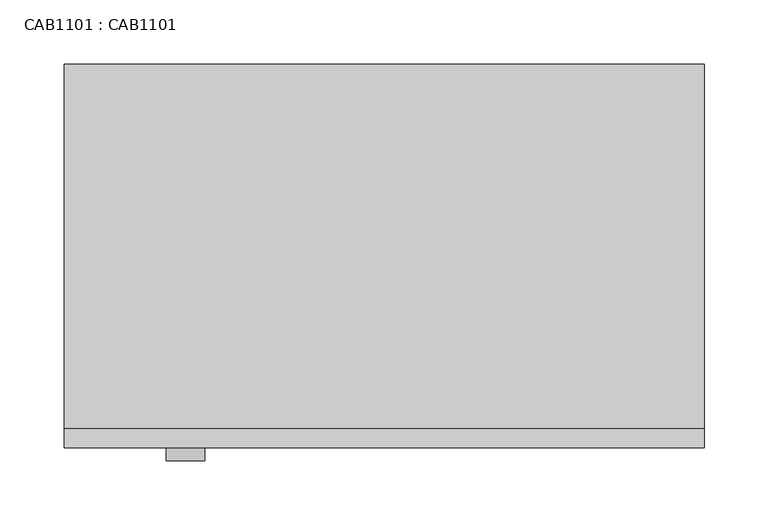
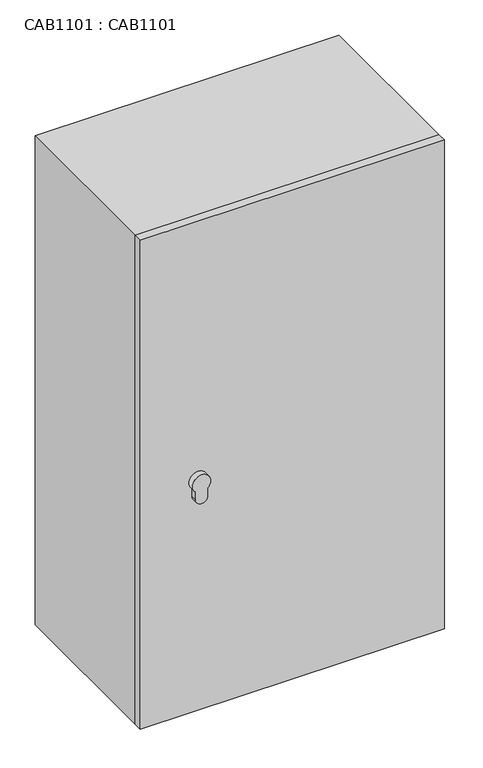
"""IFC4 building model written with IfcOpenShell, lengths in millimetres: proxy geometry, CAB1101 : CAB1101."""

from ifc_helpers import new_model, si_unit, point, frame, frame_2d, origin, origin_with_axes, place, context, project, spatial, polyline, circle_curve, trimmed, segment, composite_curve, outline, extrude, source, transform, mapped, element, save


def cab1101_cab1101_7624938d(model_context):
    return source(origin(), model_context, "Body", "SweptSolid", [
        extrude(outline(composite_curve([segment(polyline([(389.1720857, 85.0), (375.3524256, 85.0)]), True, "CONTINUOUS"), segment(trimmed(circle_curve(frame_2d((375.3524256, 95.0)), 10.0), [point((375.3524256, 85.0))], [point((375.3524256, 105.0))], False, "CARTESIAN"), True, "CONTINUOUS"), segment(polyline([(375.3524256, 105.0), (389.1720857, 105.0)]), True, "CONTINUOUS"), segment(trimmed(circle_curve(frame_2d((400.3524256, 95.0)), 15.0), [point((389.1720857, 105.0))], [point((389.1720857, 85.0))], False, "CARTESIAN"), True, "CONTINUOUS")], self_intersect=False)), frame((0.0, -310.0, 0.0), z_axis=(0.0, 1.0, 0.0), x_axis=(0.0, 0.0, 1.0)), (0.0, 0.0, 1.0), 10.0),
        extrude(outline(polyline([(500.0, -284.9999913), (500.0, -300.0000023), (0.0, -300.0000023), (0.0, -284.9999913), (500.0, -284.9999913)])), origin_with_axes(), (0.0, 0.0, 1.0), 850.0),
        extrude(outline(polyline([(500.0, 0.0), (500.0, -284.9999913), (0.0, -284.9999913), (0.0, 0.0), (500.0, 0.0)])), origin_with_axes(), (0.0, 0.0, 1.0), 850.0),
    ])


if __name__ == "__main__":
    model = new_model("IFC4")
    model_context = context("Model", 3, world=origin())
    ifc_project = project(units=[si_unit("LENGTHUNIT", "METRE", prefix="MILLI")], contexts=[model_context])
    site = spatial("IfcSite", under=ifc_project)
    building = spatial("IfcBuilding", under=site)
    placement = place(None, origin())
    cab1101_cab1101_shape = cab1101_cab1101_7624938d(model_context)
    element("IfcBuildingElementProxy", 1, Name="CAB1101 : CAB1101", ObjectType="CAB1101 : CAB1101", at=placement, inside=building, context=model_context, shape_type="MappedRepresentation", body=[
        mapped(cab1101_cab1101_shape, transform((0.0, 0.0, 0.0), x_axis=(1.0, 0.0, 0.0), y_axis=(0.0, 1.0, 0.0), z_axis=(0.0, 0.0, 1.0))),
    ])
    save(model, "model.ifc")
